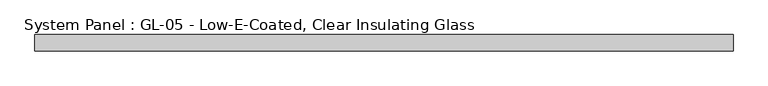
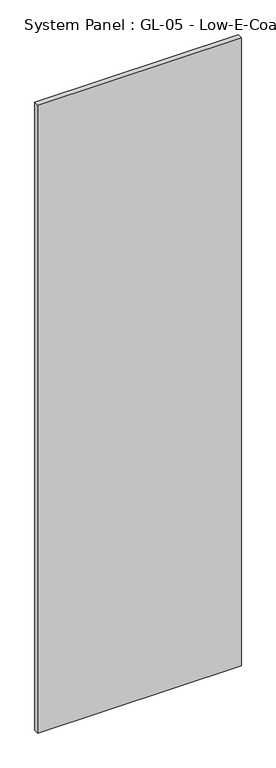
"""IFC4 building model written with IfcOpenShell, lengths in millimetres: plate geometry, System Panel : GL-05 - Low-E-Coated, Clear Insulating Glass."""

from ifc_helpers import new_model, si_unit, origin, origin_with_axes, place, context, project, spatial, polyline, outline, extrude, source, transform, mapped, element, save


def system_panel_gl_05_low_e_coated_clear_insulating_glass_8ec043d8(model_context):
    return source(origin(), model_context, "Body", "SweptSolid", [
        extrude(outline(polyline([(546.1, -12.7), (-546.1, -12.7), (-546.1, 12.7), (546.1, 12.7), (546.1, -12.7)])), origin_with_axes(), (0.0, 0.0, 1.0), 3556.0),
    ])


if __name__ == "__main__":
    model = new_model("IFC4")
    model_context = context("Model", 3, world=origin())
    ifc_project = project(units=[si_unit("LENGTHUNIT", "METRE", prefix="MILLI")], contexts=[model_context])
    site = spatial("IfcSite", under=ifc_project)
    building = spatial("IfcBuilding", under=site)
    placement = place(None, origin())
    system_panel_gl_05_low_e_coated_clear_insulating_glass_shape = system_panel_gl_05_low_e_coated_clear_insulating_glass_8ec043d8(model_context)
    element("IfcPlate", 1, ObjectType="System Panel : GL-05 - Low-E-Coated, Clear Insulating Glass", at=placement, inside=building, context=model_context, shape_type="MappedRepresentation", body=[
        mapped(system_panel_gl_05_low_e_coated_clear_insulating_glass_shape, transform((0.0, 0.0, 0.0), x_axis=(1.0, 0.0, 0.0), y_axis=(0.0, 1.0, 0.0), z_axis=(0.0, 0.0, 1.0))),
    ])
    save(model, "model.ifc")
